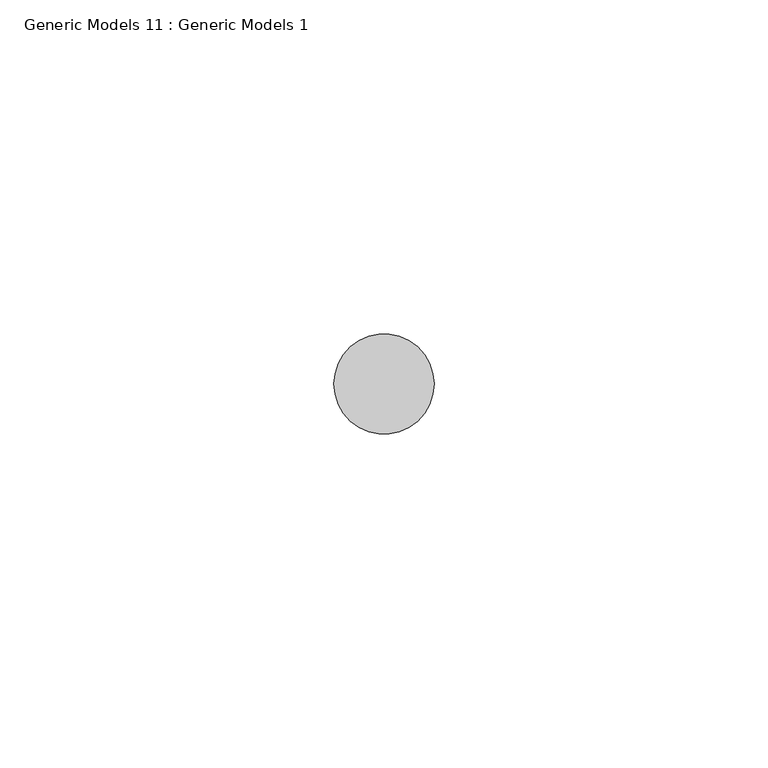
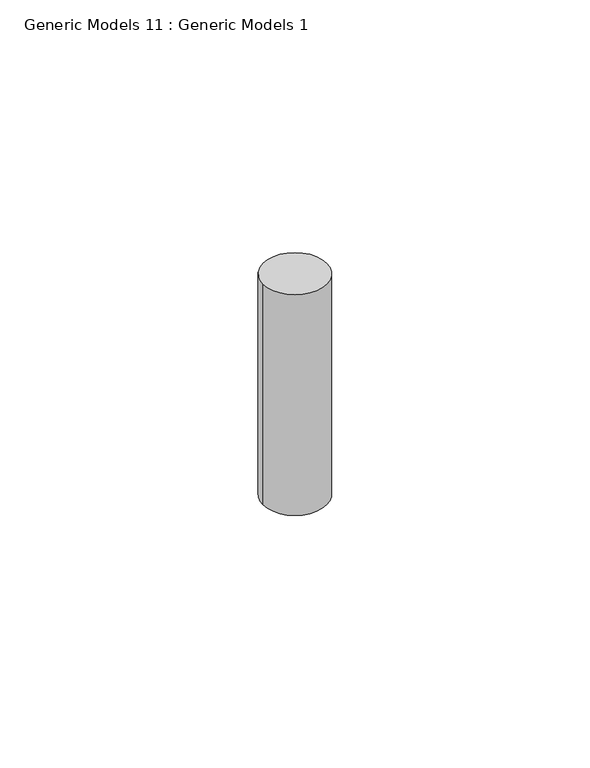
"""IFC4 building model written with IfcOpenShell, lengths in millimetres: proxy geometry, Generic Models 11 : Generic Models 1."""

from ifc_helpers import new_model, si_unit, point, frame, frame_2d, origin, place, context, project, spatial, circle_curve, trimmed, segment, composite_curve, outline, extrude, source, transform, mapped, element, save


def generic_models_11_generic_models_1_721312e7(model_context):
    return source(origin(), model_context, "Body", "SweptSolid", [
        extrude(outline(composite_curve([segment(trimmed(circle_curve(frame_2d((3886.8571724, 400.3057469)), 7.5), [point((3894.3571724, 400.3057469))], [point((3879.3571724, 400.3057469))], False, "CARTESIAN"), True, "CONTINUOUS"), segment(trimmed(circle_curve(frame_2d((3886.8571724, 400.3057469)), 7.5), [point((3879.3571724, 400.3057469))], [point((3894.3571724, 400.3057469))], False, "CARTESIAN"), True, "CONTINUOUS")], self_intersect=False)), frame((0.0, 0.0, -839.6691196), z_axis=(0.0, 0.0, 1.0), x_axis=(1.0, 0.0, 0.0)), (0.0, 0.0, 1.0), 55.0000012),
    ])


if __name__ == "__main__":
    model = new_model("IFC4")
    model_context = context("Model", 3, world=origin())
    ifc_project = project(units=[si_unit("LENGTHUNIT", "METRE", prefix="MILLI")], contexts=[model_context])
    site = spatial("IfcSite", under=ifc_project)
    building = spatial("IfcBuilding", under=site)
    placement = place(None, origin())
    generic_models_11_generic_models_1_shape = generic_models_11_generic_models_1_721312e7(model_context)
    element("IfcBuildingElementProxy", 1, Name="Generic Models 11 : Generic Models 1", ObjectType="Generic Models 11 : Generic Models 1", at=placement, inside=building, context=model_context, shape_type="MappedRepresentation", body=[
        mapped(generic_models_11_generic_models_1_shape, transform((0.0, 0.0, 0.0), x_axis=(1.0, 0.0, 0.0), y_axis=(0.0, 1.0, 0.0), z_axis=(0.0, 0.0, 1.0))),
    ])
    save(model, "model.ifc")
